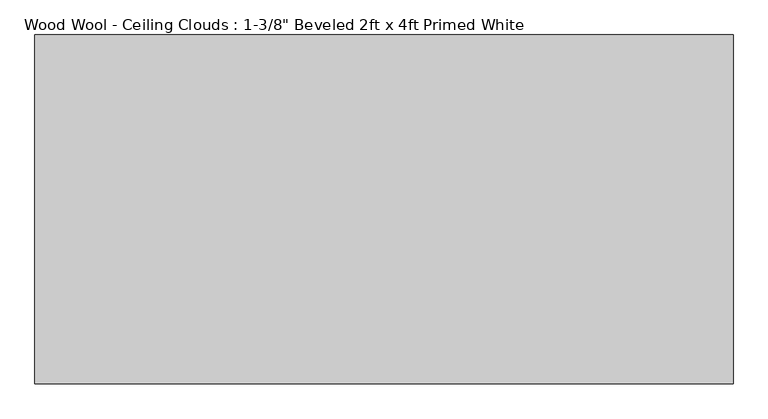
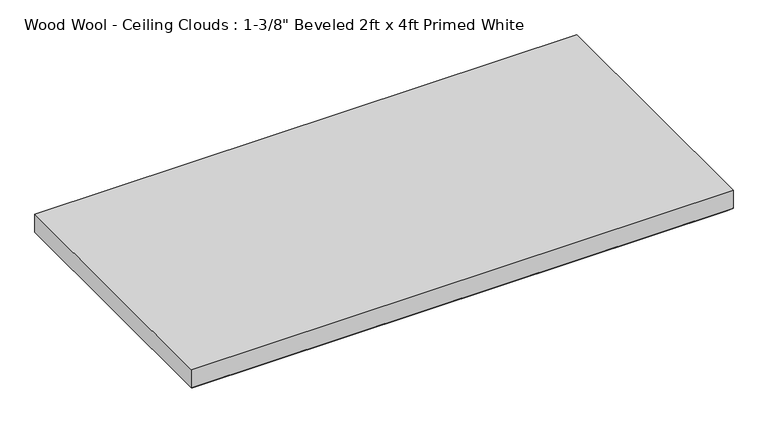
"""IFC4 building model written with IfcOpenShell, lengths in millimetres: proxy geometry."""

from ifc_helpers import new_model, si_unit, origin, place, context, project, spatial, faceted_brep, source, transform, mapped, element, save


def proxy_f476d7fd(model_context):
    return source(origin(), model_context, "Body", "Brep", [
        faceted_brep([(601.599, -296.799, -50.8), (-601.599, -296.799, -50.8), (-601.599, 296.799, -50.8), (601.599, 296.799, -50.8), (-609.6, -304.8, 0.0), (609.6, -304.8, 0.0), (609.6, 304.8, 0.0), (-609.6, 304.8, 0.0), (-609.6, 304.8, -42.799), (-609.6, -304.8, -42.799), (609.6, 304.8, -42.799), (609.6, -304.8, -42.799)], [[[0, 1, 2, 3]], [[4, 5, 6, 7]], [[4, 7, 8, 9]], [[7, 6, 10, 8]], [[6, 5, 11, 10]], [[5, 4, 9, 11]], [[9, 1, 0, 11]], [[1, 9, 8, 2]], [[2, 8, 10, 3]], [[11, 0, 3, 10]]]),
    ])


if __name__ == "__main__":
    model = new_model("IFC4")
    model_context = context("Model", 3, world=origin())
    ifc_project = project(units=[si_unit("LENGTHUNIT", "METRE", prefix="MILLI")], contexts=[model_context])
    site = spatial("IfcSite", under=ifc_project)
    building = spatial("IfcBuilding", under=site)
    placement = place(None, origin())
    proxy_shape = proxy_f476d7fd(model_context)
    element("IfcBuildingElementProxy", 1, Name="Wood Wool - Ceiling Clouds : 1-3/8\" Beveled 2ft x 4ft Primed White", ObjectType="Wood Wool - Ceiling Clouds : 1-3/8\" Beveled 2ft x 4ft Primed White", at=placement, inside=building, context=model_context, shape_type="MappedRepresentation", body=[
        mapped(proxy_shape, transform((0.0, 0.0, 0.0), x_axis=(1.0, 0.0, 0.0), y_axis=(0.0, 1.0, 0.0), z_axis=(0.0, 0.0, 1.0))),
    ])
    save(model, "model.ifc")
